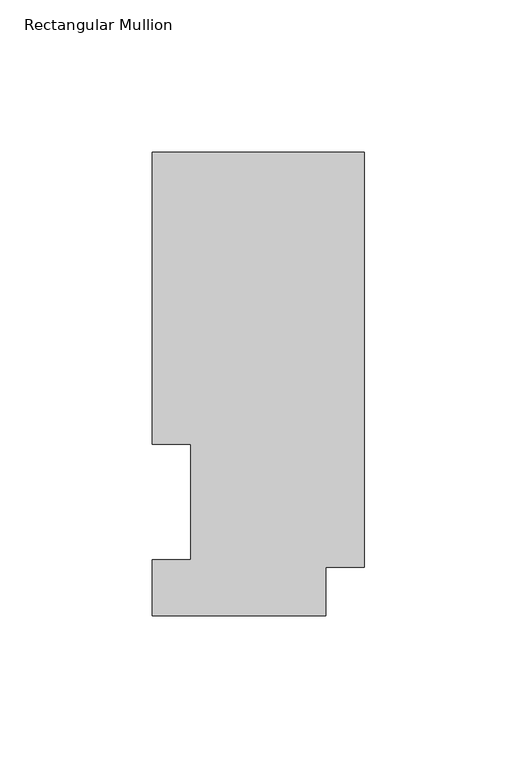
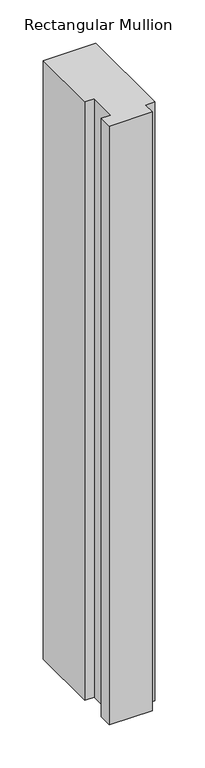
"""IFC4 building model written with IfcOpenShell, lengths in millimetres: member geometry, Rectangular Mullion."""

from ifc_helpers import new_model, si_unit, frame, origin, place, context, project, spatial, polyline, outline, extrude, source, transform, mapped, element, save


def rectangular_mullion_57e9820e(model_context):
    return source(origin(), model_context, "Body", "SweptSolid", [
        extrude(outline(polyline([(-69.85, 152.36825), (0.0, 152.36825), (0.0, 15.86865), (-12.7, 15.86865), (-12.7, -0.03175), (-69.85, -0.03175), (-69.85, 18.25625), (-57.15, 18.25625), (-57.15, 56.35625), (-69.85, 56.35625), (-69.85, 152.36825)])), frame((0.0, 0.0, -844.4484), z_axis=(0.0, 0.0, 1.0), x_axis=(1.0, 0.0, 0.0)), (0.0, 0.0, 1.0), 844.4484),
    ])


if __name__ == "__main__":
    model = new_model("IFC4")
    model_context = context("Model", 3, world=origin())
    ifc_project = project(units=[si_unit("LENGTHUNIT", "METRE", prefix="MILLI")], contexts=[model_context])
    site = spatial("IfcSite", under=ifc_project)
    building = spatial("IfcBuilding", under=site)
    placement = place(None, origin())
    rectangular_mullion_shape = rectangular_mullion_57e9820e(model_context)
    element("IfcMember", 1, ObjectType="Rectangular Mullion", at=placement, inside=building, context=model_context, shape_type="MappedRepresentation", body=[
        mapped(rectangular_mullion_shape, transform((0.0, 0.0, 0.0), x_axis=(1.0, 0.0, 0.0), y_axis=(0.0, 1.0, 0.0), z_axis=(0.0, 0.0, 1.0))),
    ])
    save(model, "model.ifc")
